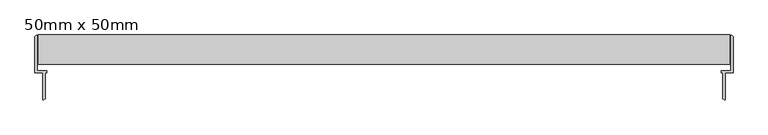
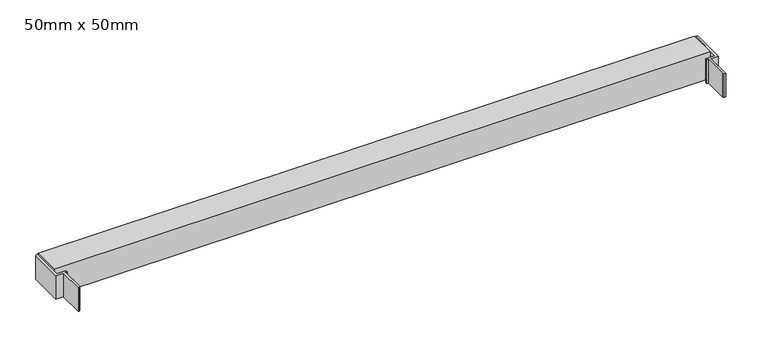
"""IFC4 building model written with IfcOpenShell, lengths in millimetres: plate geometry, 50mm x 50mm."""

from ifc_helpers import new_model, si_unit, frame, origin, place, context, project, spatial, polyline, outline, extrude, source, transform, mapped, element, save


def plate_50mm_x_50mm_6b0158d3(model_context):
    return source(origin(), model_context, "Body", "SweptSolid", [
        extrude(outline(polyline([(-596.0000001, 168.7422404), (-594.0000001, 170.7422404), (-592.0000001, 170.7422404), (-592.0000001, 110.7422404), (-575.5000001, 110.7422404), (-575.5000001, 106.7422404), (-578.5000001, 106.7422404), (-578.5000001, 62.7422404), (-580.5000001, 60.7422404), (-582.5000001, 60.7422404), (-582.5000001, 106.7422404), (-596.0000001, 106.7422404), (-596.0000001, 168.7422404)])), frame((0.0, 0.0, 20.0338898), z_axis=(0.0, 0.0, 1.0), x_axis=(1.0, 0.0, 0.0)), (0.0, 0.0, 1.0), 45.0),
        extrude(outline(polyline([(596.0000001, 168.7422404), (596.0000001, 106.7422404), (582.5000001, 106.7422404), (582.5000001, 60.7422404), (580.5000001, 60.7422404), (578.5000001, 62.7422404), (578.5000001, 106.7422404), (575.5000001, 106.7422404), (575.5000001, 110.7422404), (592.0000001, 110.7422404), (592.0000001, 170.7422404), (594.0000001, 170.7422404), (596.0000001, 168.7422404)])), frame((0.0, 0.0, 20.0338898), z_axis=(0.0, 0.0, 1.0), x_axis=(1.0, 0.0, 0.0)), (0.0, 0.0, 1.0), 45.0),
        extrude(outline(polyline([(171.7, 66.0316945), (171.7, 16.0316945), (121.7, 16.0316945), (121.7, 66.0316945), (171.7, 66.0316945)]), holes=[polyline([(131.7, 56.0316945), (131.7, 26.0316945), (161.7, 26.0316945), (161.7, 56.0316945), (131.7, 56.0316945)])]), frame((-589.9999999, 0.0, 0.0), z_axis=(1.0, 0.0, 0.0), x_axis=(0.0, 1.0, 0.0)), (0.0, 0.0, 1.0), 1180.0),
    ])


if __name__ == "__main__":
    model = new_model("IFC4")
    model_context = context("Model", 3, world=origin())
    ifc_project = project(units=[si_unit("LENGTHUNIT", "METRE", prefix="MILLI")], contexts=[model_context])
    site = spatial("IfcSite", under=ifc_project)
    building = spatial("IfcBuilding", under=site)
    placement = place(None, origin())
    plate_50mm_x_50mm_shape = plate_50mm_x_50mm_6b0158d3(model_context)
    element("IfcPlate", 1, ObjectType="50mm x 50mm", at=placement, inside=building, context=model_context, shape_type="MappedRepresentation", body=[
        mapped(plate_50mm_x_50mm_shape, transform((0.0, 0.0, 0.0), x_axis=(1.0, 0.0, 0.0), y_axis=(0.0, 1.0, 0.0), z_axis=(0.0, 0.0, 1.0))),
    ])
    save(model, "model.ifc")
